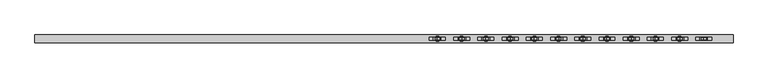
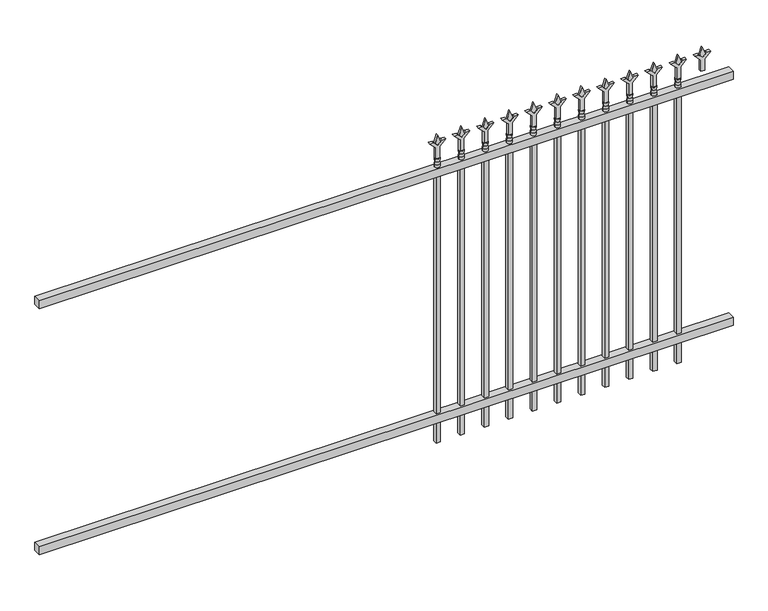
"""IFC4 building model written with IfcOpenShell, lengths in millimetres: railing geometry."""

import ifcopenshell
import ifcopenshell.guid

model = None  # the IFC model being written
_history = None  # IfcOwnerHistory: only IFC2X3 demands one
_inside = {}  # id of a spatial element -> (the spatial element, [elements in it])
_under = {}  # id of a project, library or spatial element -> (it, [spatial elements below it])
_declared = {}  # id of a project -> (the project, [libraries it declares])
_typed = {}  # id of a type object -> (the type object, [elements of that type])
_made_of = {}  # id of a material, layer set ... -> (it, [elements and type objects made of it])


def new_model(schema):
    """Start an empty IFC model of exactly this schema.

    Asked for "IFC4X3", IfcOpenShell would pick the latest addendum, in which some entities
    have other attributes; the version numbers below select the first issue.
    IFC2X3 requires an IfcOwnerHistory on every rooted entity: one is made here for all.
    """
    global model, _history
    if schema == "IFC4X3":
        model = ifcopenshell.file(schema_version=(4, 3, 0, 0))
    else:
        model = ifcopenshell.file(schema=schema)
    _inside.clear()
    _under.clear()
    _declared.clear()
    _typed.clear()
    _made_of.clear()
    _history = None
    if model.schema == "IFC2X3":
        org = make("IfcOrganization", Name="unknown")
        user = make(
            "IfcPersonAndOrganization",
            ThePerson=make("IfcPerson", FamilyName="unknown"),
            TheOrganization=org,
        )
        app = make(
            "IfcApplication",
            ApplicationDeveloper=org,
            Version="unknown",
            ApplicationFullName="unknown",
            ApplicationIdentifier="unknown",
        )
        _history = make(
            "IfcOwnerHistory",
            OwningUser=user,
            OwningApplication=app,
            ChangeAction="ADDED",
            CreationDate=0,
        )
    return model


def make(cls, **values):
    """One entity of the class cls with the attributes given. An attribute that is None is left unset."""
    return model.create_entity(
        cls, **{name: value for name, value in values.items() if value is not None}
    )


def rooted(cls, **values):
    """An entity with a GlobalId (a new one), such as an element, a storey or a relation."""
    return make(cls, GlobalId=ifcopenshell.guid.new(), OwnerHistory=_history, **values)


def si_unit(unit_type, name, prefix=None):
    """IfcSIUnit, for example si_unit("LENGTHUNIT", "METRE", prefix="MILLI")."""
    return make("IfcSIUnit", UnitType=unit_type, Prefix=prefix, Name=name)


def assignment(units):
    """IfcUnitAssignment: the units of a project."""
    return None if units is None else make("IfcUnitAssignment", Units=units)


def point(xyz):
    """IfcCartesianPoint."""
    return None if xyz is None else make("IfcCartesianPoint", Coordinates=xyz)


def direction(xyz):
    """IfcDirection."""
    return None if xyz is None else make("IfcDirection", DirectionRatios=xyz)


def frame(location, z_axis=None, x_axis=None):
    """IfcAxis2Placement3D, a coordinate frame: its origin and axes. An axis left out is left unset."""
    return make(
        "IfcAxis2Placement3D",
        Location=point(location),
        Axis=direction(z_axis),
        RefDirection=direction(x_axis),
    )


def origin():
    """The frame at (0, 0, 0) with its axes left unset."""
    return frame((0.0, 0.0, 0.0))


def place(relative_to, where):
    """IfcLocalPlacement: puts the frame where relative to a parent placement (None: the world)."""
    return make(
        "IfcLocalPlacement", PlacementRelTo=relative_to, RelativePlacement=where
    )


def context(
    kind, dimensions, precision=None, world=None, true_north=None, identifier=None
):
    """IfcGeometricRepresentationContext, for example the 3D "Model" context."""
    return make(
        "IfcGeometricRepresentationContext",
        ContextIdentifier=identifier,
        ContextType=kind,
        CoordinateSpaceDimension=dimensions,
        Precision=precision,
        WorldCoordinateSystem=world,
        TrueNorth=true_north,
    )


def project(units=None, contexts=None):
    """IfcProject with its units and contexts."""
    return rooted(
        "IfcProject",
        Name="project",
        RepresentationContexts=contexts,
        UnitsInContext=assignment(units),
    )


def spatial(cls, under=None, at=None, **own):
    """A site, building, storey or space (cls), placed at a placement, below another one or the project."""
    s = rooted(cls, ObjectPlacement=at, **own)
    if under is not None:
        _under.setdefault(under.id(), (under, []))[1].append(s)
    return s


def polyline(points):
    """IfcPolyline through the points."""
    return make("IfcPolyline", Points=[point(p) for p in points])


def circle_curve(where, radius):
    """IfcCircle in the frame where."""
    return make("IfcCircle", Position=where, Radius=radius)


def outline(outer, holes=None, kind="AREA"):
    """IfcArbitraryClosedProfileDef: a profile drawn as a closed curve; with holes, ...WithVoids."""
    if holes is None:
        return make("IfcArbitraryClosedProfileDef", ProfileType=kind, OuterCurve=outer)
    return make(
        "IfcArbitraryProfileDefWithVoids",
        ProfileType=kind,
        OuterCurve=outer,
        InnerCurves=holes,
    )


def extrude(swept, where, along, depth):
    """IfcExtrudedAreaSolid: the profile swept, set in the frame where, extruded along a direction by depth."""
    return make(
        "IfcExtrudedAreaSolid",
        SweptArea=swept,
        Position=where,
        ExtrudedDirection=direction(along),
        Depth=depth,
    )


def shape(context_of_items, identifier, shape_type, items):
    """IfcShapeRepresentation: the items that make up one representation, for example the "Body"."""
    return make(
        "IfcShapeRepresentation",
        ContextOfItems=context_of_items,
        RepresentationIdentifier=identifier,
        RepresentationType=shape_type,
        Items=items,
    )


def source(mapping_origin, context_of_items, identifier, shape_type, items):
    """IfcRepresentationMap: a shape defined once, which mapped items show again and again."""
    return make(
        "IfcRepresentationMap",
        MappingOrigin=mapping_origin,
        MappedRepresentation=shape(context_of_items, identifier, shape_type, items),
    )


def transform(
    local_origin,
    x_axis=None,
    y_axis=None,
    z_axis=None,
    scale=None,
    scale2=None,
    scale3=None,
    uniform=True,
):
    """IfcCartesianTransformationOperator3D, or its non-uniform kind. x_axis, y_axis, z_axis: its Axis1, 2, 3."""
    if uniform:
        return make(
            "IfcCartesianTransformationOperator3D",
            Axis1=direction(x_axis),
            Axis2=direction(y_axis),
            LocalOrigin=point(local_origin),
            Scale=scale,
            Axis3=direction(z_axis),
        )
    return make(
        "IfcCartesianTransformationOperator3DnonUniform",
        Axis1=direction(x_axis),
        Axis2=direction(y_axis),
        LocalOrigin=point(local_origin),
        Scale=scale,
        Axis3=direction(z_axis),
        Scale2=scale2,
        Scale3=scale3,
    )


def mapped(mapping_source, mapping_target):
    """IfcMappedItem: shows the shape of a source again, moved by a transform."""
    return make(
        "IfcMappedItem", MappingSource=mapping_source, MappingTarget=mapping_target
    )


def made_of(thing, what):
    """Note that an element or type object is made of a material, layer set ...; save() writes the relation."""
    if what is not None:
        _made_of.setdefault(what.id(), (what, []))[1].append(thing)
    return thing


def element(
    cls,
    number,
    at=None,
    inside=None,
    cuts=None,
    type_object=None,
    material=None,
    context=None,
    identifier="Body",
    shape_type=None,
    held_by="IfcProductDefinitionShape",
    body=None,
    shapes=None,
    **own,
):
    """One element of the class cls, such as IfcWall. Its Tag is "e" and its number.

    at: its placement. inside: the storey or other place that contains it. cuts: it is an
    opening in that element (IfcRelVoidsElement). A single representation is given by context,
    identifier, shape_type and body (its items); several are given by shapes. held_by: the class
    of the entity that holds the representations. save() writes the other relations.
    """
    e = rooted(cls, Tag="e%d" % number, ObjectPlacement=at, **own)
    if body is not None:
        shapes = [shape(context, identifier, shape_type, body)]
    if shapes is not None:
        e.Representation = make(held_by, Representations=shapes)
    if inside is not None:
        _inside.setdefault(inside.id(), (inside, []))[1].append(e)
    if cuts is not None:
        rooted(
            "IfcRelVoidsElement", RelatingBuildingElement=cuts, RelatedOpeningElement=e
        )
    if type_object is not None:
        _typed.setdefault(type_object.id(), (type_object, []))[1].append(e)
    return made_of(e, material)


def aggregate(whole, parts):
    """IfcRelAggregates: a whole, such as a stair, and the parts it consists of."""
    return rooted("IfcRelAggregates", RelatingObject=whole, RelatedObjects=parts)


def save(model, path):
    """Write the relations noted so far, then the file.

    IfcRelAggregates (storeys below a building ...), IfcRelContainedInSpatialStructure (elements
    in a storey), IfcRelDefinesByType, IfcRelAssociatesMaterial and IfcRelDeclares: one each for
    every whole, place, type object, material and project.
    """
    for whole, parts in _under.values():
        aggregate(whole, parts)
    for where, things in _inside.values():
        rooted(
            "IfcRelContainedInSpatialStructure",
            RelatedElements=things,
            RelatingStructure=where,
        )
    for kind, things in _typed.values():
        rooted("IfcRelDefinesByType", RelatedObjects=things, RelatingType=kind)
    for what, things in _made_of.values():
        rooted("IfcRelAssociatesMaterial", RelatedObjects=things, RelatingMaterial=what)
    for by, libraries in _declared.values():
        rooted("IfcRelDeclares", RelatingContext=by, RelatedDefinitions=libraries)
    model.write(path)


def plane_surface(at):
    """IfcPlane: the flat surface through the origin of the frame at, square to its z axis."""
    return make("IfcPlane", Position=at)


def cylinder_surface(at, radius):
    """IfcCylindricalSurface: all points at the distance radius from the z axis of the frame at."""
    return make("IfcCylindricalSurface", Position=at, Radius=radius)


def revolved_surface(curve, axis_point, axis_direction):
    """IfcSurfaceOfRevolution: the curve turned about the line through axis_point along axis_direction."""
    return make(
        "IfcSurfaceOfRevolution",
        SweptCurve=make("IfcArbitraryOpenProfileDef", ProfileType="CURVE", Curve=curve),
        AxisPosition=make("IfcAxis1Placement", Location=point(axis_point), Axis=direction(axis_direction)),
    )


def advanced_brep(points, edges, surfaces, faces):
    """IfcAdvancedBrep: a solid bounded by faces that lie on surfaces and meet in shared edges.

    An edge is (start, end): straight between two places in points (the first is 0);
    or (start, end, curve); or (start, end, curve, False) where it runs against its curve.
    A face is (place in surfaces, loops), or (place, loops, False) where it looks against
    its surface's normal. A loop lists edges by number (the first is 1), with a minus sign
    where the edge is run from its end to its start. The first loop is the outer one.
    """
    corners = [point(p) for p in points]
    vertices = [make("IfcVertexPoint", VertexGeometry=c) for c in corners]
    made = []
    for start, end, *more in edges:
        made.append(
            make(
                "IfcEdgeCurve",
                EdgeStart=vertices[start],
                EdgeEnd=vertices[end],
                EdgeGeometry=more[0] if more else make("IfcPolyline", Points=[corners[start], corners[end]]),
                SameSense=more[1] if len(more) > 1 else True,
            )
        )
    hull = []
    for where, loops, *sense in faces:
        bounds = []
        for j, loop in enumerate(loops):
            ring = [make("IfcOrientedEdge", EdgeElement=made[abs(k) - 1], Orientation=k > 0) for k in loop]
            bounds.append(
                make(
                    "IfcFaceOuterBound" if j == 0 else "IfcFaceBound",
                    Bound=make("IfcEdgeLoop", EdgeList=ring),
                    Orientation=True,
                )
            )
        hull.append(make("IfcAdvancedFace", Bounds=bounds, FaceSurface=surfaces[where], SameSense=sense[0] if sense else True))
    return make("IfcAdvancedBrep", Outer=make("IfcClosedShell", CfsFaces=hull))


def railing_ae8adff9(model_context):
    return source(origin(), model_context, "Body", "SolidModel", [
        extrude(outline(polyline([(-73537.318087, 5443.2804826), (-73537.318087, 5478.2054826), (-70387.718087, 5478.2054826), (-70387.718087, 5443.2804826), (-73537.318087, 5443.2804826)])), frame((0.0, 0.0, 1333.5), z_axis=(0.0, 0.0, 1.0), x_axis=(1.0, 0.0, 0.0)), (0.0, 0.0, 1.0), 38.1),
        extrude(outline(polyline([(-73537.318087, 5443.2804826), (-73537.318087, 5478.2054826), (-70387.718087, 5478.2054826), (-70387.718087, 5443.2804826), (-73537.318087, 5443.2804826)])), frame((0.0, 0.0, 152.4), z_axis=(0.0, 0.0, 1.0), x_axis=(1.0, 0.0, 0.0)), (0.0, 0.0, 1.0), 38.1),
        extrude(outline(polyline([(1488.28125, -70616.8472536), (1524.0, -70628.7535036), (1488.28125, -70640.6597536), (1476.375, -70628.7535036), (1488.28125, -70616.8472536)])), frame((0.0, 5455.9804826, 0.0), z_axis=(0.0, 1.0, 0.0), x_axis=(0.0, 0.0, 1.0)), (0.0, 0.0, 1.0), 9.525),
        extrude(outline(polyline([(1412.875, -70620.0222536), (1467.1457378, -70620.0222536), (1494.3355122, -70592.8324791), (1494.3355122, -70610.7929914), (1476.375, -70628.7535036), (1494.3355122, -70646.7140159), (1494.3355122, -70664.6745281), (1467.1457378, -70637.4847536), (1412.875, -70637.4847536), (1412.875, -70620.0222536)])), frame((0.0, 5454.3929826, 0.0), z_axis=(0.0, 1.0, 0.0), x_axis=(0.0, 0.0, 1.0)), (0.0, 0.0, 1.0), 12.7),
        advanced_brep(
        [(-70616.8472536, 5460.7429826, 1384.3), (-70640.6597536, 5460.7429826, 1384.3), (-70640.6597536, 5460.7429826, 1371.6), (-70616.8472536, 5460.7429826, 1371.6), (-70619.0525855, 5460.7429826, 1396.8070585), (-70638.4544218, 5460.7429826, 1396.8070585), (-70616.8472536, 5460.7429826, 1412.875), (-70640.6597536, 5460.7429826, 1412.875), (-70628.7535036, 5460.7429826, 1412.875), (-70628.7535036, 5460.7429826, 1371.6)],
        [
            (0, 1, circle_curve(frame((-70628.7535036, 5460.7429826, 1384.3), z_axis=(0.0, 0.0, -1.0), x_axis=(-1.0, 0.0, 0.0)), 11.90625)),
            (1, 2),
            (2, 3, circle_curve(frame((-70628.7535036, 5460.7429826, 1371.6), z_axis=(0.0, 0.0, 1.0), x_axis=(-1.0, 0.0, 0.0)), 11.90625)),
            (3, 0),
            (1, 0, circle_curve(frame((-70628.7535036, 5460.7429826, 1384.3), z_axis=(0.0, 0.0, -1.0), x_axis=(-1.0, 0.0, 0.0)), 11.90625)),
            (3, 2, circle_curve(frame((-70628.7535036, 5460.7429826, 1371.6), z_axis=(0.0, 0.0, 1.0), x_axis=(-1.0, 0.0, 0.0)), 11.90625)),
            (4, 5, circle_curve(frame((-70628.7535036, 5460.7429826, 1396.8070585), z_axis=(0.0, 0.0, -1.0), x_axis=(-1.0, 0.0, 0.0)), 9.7009181)),
            (5, 1),
            (0, 4),
            (5, 4, circle_curve(frame((-70628.7535036, 5460.7429826, 1396.8070585), z_axis=(0.0, 0.0, -1.0), x_axis=(-1.0, 0.0, 0.0)), 9.7009181)),
            (6, 7, circle_curve(frame((-70628.7535036, 5460.7429826, 1412.875), z_axis=(0.0, 0.0, -1.0), x_axis=(-1.0, 0.0, 0.0)), 11.90625)),
            (7, 5),
            (4, 6),
            (7, 6, circle_curve(frame((-70628.7535036, 5460.7429826, 1412.875), z_axis=(0.0, 0.0, -1.0), x_axis=(-1.0, 0.0, 0.0)), 11.90625)),
            (8, 7),
            (6, 8),
            (2, 9),
            (9, 3),
        ],
        [
            cylinder_surface(frame((-70628.7535036, 5460.7429826, 1371.6), z_axis=(0.0, 0.0, 1.0), x_axis=(-1.0, 0.0, 0.0)), 11.90625),
            revolved_surface(polyline([(-70640.6597536, 5460.7429826, 1384.3), (-70638.4544218, 5460.7429826, 1396.8070585)]), (-70628.7535036, 5460.7429826, 1371.6), (0.0, 0.0, 1.0)),
            revolved_surface(polyline([(-70638.4544218, 5460.7429826, 1396.8070585), (-70640.6597536, 5460.7429826, 1412.875)]), (-70628.7535036, 5460.7429826, 1371.6), (0.0, 0.0, 1.0)),
            plane_surface(frame((-70628.7535036, 5460.7429826, 1412.875), z_axis=(0.0, 0.0, 1.0), x_axis=(-1.0, 0.0, 0.0))),
            plane_surface(frame((-70628.7535036, 5460.7429826, 1371.6), z_axis=(0.0, 0.0, -1.0), x_axis=(-1.0, 0.0, 0.0))),
        ],
        [
            (0, [[1, 2, 3, 4]]),
            (0, [[5, -4, 6, -2]]),
            (1, [[7, 8, -1, 9]]),
            (1, [[10, -9, -5, -8]]),
            (2, [[11, 12, -7, 13]]),
            (2, [[14, -13, -10, -12]]),
            (3, [[15, -11, 16]]),
            (3, [[-16, -14, -15]]),
            (4, [[-3, 17, 18]]),
            (4, [[-6, -18, -17]]),
        ],
    ),
        extrude(outline(polyline([(-70638.2785036, 5470.2679826), (-70619.2285036, 5470.2679826), (-70619.2285036, 5451.2179826), (-70638.2785036, 5451.2179826), (-70638.2785036, 5470.2679826)])), frame((0.0, 0.0, 50.8), z_axis=(0.0, 0.0, 1.0), x_axis=(1.0, 0.0, 0.0)), (0.0, 0.0, 1.0), 1320.8),
        extrude(outline(polyline([(1488.28125, -70726.1201703), (1524.0, -70738.0264203), (1488.28125, -70749.9326703), (1476.375, -70738.0264203), (1488.28125, -70726.1201703)])), frame((0.0, 5455.9804826, 0.0), z_axis=(0.0, 1.0, 0.0), x_axis=(0.0, 0.0, 1.0)), (0.0, 0.0, 1.0), 9.525),
        extrude(outline(polyline([(1412.875, -70729.2951703), (1467.1457378, -70729.2951703), (1494.3355122, -70702.1053958), (1494.3355122, -70720.0659081), (1476.375, -70738.0264203), (1494.3355122, -70755.9869325), (1494.3355122, -70773.9474448), (1467.1457378, -70746.7576703), (1412.875, -70746.7576703), (1412.875, -70729.2951703)])), frame((0.0, 5454.3929826, 0.0), z_axis=(0.0, 1.0, 0.0), x_axis=(0.0, 0.0, 1.0)), (0.0, 0.0, 1.0), 12.7),
        advanced_brep(
        [(-70726.1201703, 5460.7429826, 1384.3), (-70749.9326703, 5460.7429826, 1384.3), (-70749.9326703, 5460.7429826, 1371.6), (-70726.1201703, 5460.7429826, 1371.6), (-70728.3255022, 5460.7429826, 1396.8070585), (-70747.7273384, 5460.7429826, 1396.8070585), (-70726.1201703, 5460.7429826, 1412.875), (-70749.9326703, 5460.7429826, 1412.875), (-70738.0264203, 5460.7429826, 1412.875), (-70738.0264203, 5460.7429826, 1371.6)],
        [
            (0, 1, circle_curve(frame((-70738.0264203, 5460.7429826, 1384.3), z_axis=(0.0, 0.0, -1.0), x_axis=(-1.0, 0.0, 0.0)), 11.90625)),
            (1, 2),
            (2, 3, circle_curve(frame((-70738.0264203, 5460.7429826, 1371.6), z_axis=(0.0, 0.0, 1.0), x_axis=(-1.0, 0.0, 0.0)), 11.90625)),
            (3, 0),
            (1, 0, circle_curve(frame((-70738.0264203, 5460.7429826, 1384.3), z_axis=(0.0, 0.0, -1.0), x_axis=(-1.0, 0.0, 0.0)), 11.90625)),
            (3, 2, circle_curve(frame((-70738.0264203, 5460.7429826, 1371.6), z_axis=(0.0, 0.0, 1.0), x_axis=(-1.0, 0.0, 0.0)), 11.90625)),
            (4, 5, circle_curve(frame((-70738.0264203, 5460.7429826, 1396.8070585), z_axis=(0.0, 0.0, -1.0), x_axis=(-1.0, 0.0, 0.0)), 9.7009181)),
            (5, 1),
            (0, 4),
            (5, 4, circle_curve(frame((-70738.0264203, 5460.7429826, 1396.8070585), z_axis=(0.0, 0.0, -1.0), x_axis=(-1.0, 0.0, 0.0)), 9.7009181)),
            (6, 7, circle_curve(frame((-70738.0264203, 5460.7429826, 1412.875), z_axis=(0.0, 0.0, -1.0), x_axis=(-1.0, 0.0, 0.0)), 11.90625)),
            (7, 5),
            (4, 6),
            (7, 6, circle_curve(frame((-70738.0264203, 5460.7429826, 1412.875), z_axis=(0.0, 0.0, -1.0), x_axis=(-1.0, 0.0, 0.0)), 11.90625)),
            (8, 7),
            (6, 8),
            (2, 9),
            (9, 3),
        ],
        [
            cylinder_surface(frame((-70738.0264203, 5460.7429826, 1371.6), z_axis=(0.0, 0.0, 1.0), x_axis=(-1.0, 0.0, 0.0)), 11.90625),
            revolved_surface(polyline([(-70749.9326703, 5460.7429826, 1384.3), (-70747.7273384, 5460.7429826, 1396.8070585)]), (-70738.0264203, 5460.7429826, 1371.6), (0.0, 0.0, 1.0)),
            revolved_surface(polyline([(-70747.7273384, 5460.7429826, 1396.8070585), (-70749.9326703, 5460.7429826, 1412.875)]), (-70738.0264203, 5460.7429826, 1371.6), (0.0, 0.0, 1.0)),
            plane_surface(frame((-70738.0264203, 5460.7429826, 1412.875), z_axis=(0.0, 0.0, 1.0), x_axis=(-1.0, 0.0, 0.0))),
            plane_surface(frame((-70738.0264203, 5460.7429826, 1371.6), z_axis=(0.0, 0.0, -1.0), x_axis=(-1.0, 0.0, 0.0))),
        ],
        [
            (0, [[1, 2, 3, 4]]),
            (0, [[5, -4, 6, -2]]),
            (1, [[7, 8, -1, 9]]),
            (1, [[10, -9, -5, -8]]),
            (2, [[11, 12, -7, 13]]),
            (2, [[14, -13, -10, -12]]),
            (3, [[15, -11, 16]]),
            (3, [[-16, -14, -15]]),
            (4, [[-3, 17, 18]]),
            (4, [[-6, -18, -17]]),
        ],
    ),
        extrude(outline(polyline([(-70747.5514203, 5470.2679826), (-70728.5014203, 5470.2679826), (-70728.5014203, 5451.2179826), (-70747.5514203, 5451.2179826), (-70747.5514203, 5470.2679826)])), frame((0.0, 0.0, 50.8), z_axis=(0.0, 0.0, 1.0), x_axis=(1.0, 0.0, 0.0)), (0.0, 0.0, 1.0), 1320.8),
        extrude(outline(polyline([(1488.28125, -70835.393087), (1524.0, -70847.299337), (1488.28125, -70859.205587), (1476.375, -70847.299337), (1488.28125, -70835.393087)])), frame((0.0, 5455.9804826, 0.0), z_axis=(0.0, 1.0, 0.0), x_axis=(0.0, 0.0, 1.0)), (0.0, 0.0, 1.0), 9.525),
        extrude(outline(polyline([(1412.875, -70838.568087), (1467.1457378, -70838.568087), (1494.3355122, -70811.3783125), (1494.3355122, -70829.3388247), (1476.375, -70847.299337), (1494.3355122, -70865.2598492), (1494.3355122, -70883.2203614), (1467.1457378, -70856.030587), (1412.875, -70856.030587), (1412.875, -70838.568087)])), frame((0.0, 5454.3929826, 0.0), z_axis=(0.0, 1.0, 0.0), x_axis=(0.0, 0.0, 1.0)), (0.0, 0.0, 1.0), 12.7),
        advanced_brep(
        [(-70835.393087, 5460.7429826, 1384.3), (-70859.205587, 5460.7429826, 1384.3), (-70859.205587, 5460.7429826, 1371.6), (-70835.393087, 5460.7429826, 1371.6), (-70837.5984188, 5460.7429826, 1396.8070585), (-70857.0002551, 5460.7429826, 1396.8070585), (-70835.393087, 5460.7429826, 1412.875), (-70859.205587, 5460.7429826, 1412.875), (-70847.299337, 5460.7429826, 1412.875), (-70847.299337, 5460.7429826, 1371.6)],
        [
            (0, 1, circle_curve(frame((-70847.299337, 5460.7429826, 1384.3), z_axis=(0.0, 0.0, -1.0), x_axis=(-1.0, 0.0, 0.0)), 11.90625)),
            (1, 2),
            (2, 3, circle_curve(frame((-70847.299337, 5460.7429826, 1371.6), z_axis=(0.0, 0.0, 1.0), x_axis=(-1.0, 0.0, 0.0)), 11.90625)),
            (3, 0),
            (1, 0, circle_curve(frame((-70847.299337, 5460.7429826, 1384.3), z_axis=(0.0, 0.0, -1.0), x_axis=(-1.0, 0.0, 0.0)), 11.90625)),
            (3, 2, circle_curve(frame((-70847.299337, 5460.7429826, 1371.6), z_axis=(0.0, 0.0, 1.0), x_axis=(-1.0, 0.0, 0.0)), 11.90625)),
            (4, 5, circle_curve(frame((-70847.299337, 5460.7429826, 1396.8070585), z_axis=(0.0, 0.0, -1.0), x_axis=(-1.0, 0.0, 0.0)), 9.7009181)),
            (5, 1),
            (0, 4),
            (5, 4, circle_curve(frame((-70847.299337, 5460.7429826, 1396.8070585), z_axis=(0.0, 0.0, -1.0), x_axis=(-1.0, 0.0, 0.0)), 9.7009181)),
            (6, 7, circle_curve(frame((-70847.299337, 5460.7429826, 1412.875), z_axis=(0.0, 0.0, -1.0), x_axis=(-1.0, 0.0, 0.0)), 11.90625)),
            (7, 5),
            (4, 6),
            (7, 6, circle_curve(frame((-70847.299337, 5460.7429826, 1412.875), z_axis=(0.0, 0.0, -1.0), x_axis=(-1.0, 0.0, 0.0)), 11.90625)),
            (8, 7),
            (6, 8),
            (2, 9),
            (9, 3),
        ],
        [
            cylinder_surface(frame((-70847.299337, 5460.7429826, 1371.6), z_axis=(0.0, 0.0, 1.0), x_axis=(-1.0, 0.0, 0.0)), 11.90625),
            revolved_surface(polyline([(-70859.205587, 5460.7429826, 1384.3), (-70857.0002551, 5460.7429826, 1396.8070585)]), (-70847.299337, 5460.7429826, 1371.6), (0.0, 0.0, 1.0)),
            revolved_surface(polyline([(-70857.0002551, 5460.7429826, 1396.8070585), (-70859.205587, 5460.7429826, 1412.875)]), (-70847.299337, 5460.7429826, 1371.6), (0.0, 0.0, 1.0)),
            plane_surface(frame((-70847.299337, 5460.7429826, 1412.875), z_axis=(0.0, 0.0, 1.0), x_axis=(-1.0, 0.0, 0.0))),
            plane_surface(frame((-70847.299337, 5460.7429826, 1371.6), z_axis=(0.0, 0.0, -1.0), x_axis=(-1.0, 0.0, 0.0))),
        ],
        [
            (0, [[1, 2, 3, 4]]),
            (0, [[5, -4, 6, -2]]),
            (1, [[7, 8, -1, 9]]),
            (1, [[10, -9, -5, -8]]),
            (2, [[11, 12, -7, 13]]),
            (2, [[14, -13, -10, -12]]),
            (3, [[15, -11, 16]]),
            (3, [[-16, -14, -15]]),
            (4, [[-3, 17, 18]]),
            (4, [[-6, -18, -17]]),
        ],
    ),
        extrude(outline(polyline([(-70856.824337, 5470.2679826), (-70837.774337, 5470.2679826), (-70837.774337, 5451.2179826), (-70856.824337, 5451.2179826), (-70856.824337, 5470.2679826)])), frame((0.0, 0.0, 50.8), z_axis=(0.0, 0.0, 1.0), x_axis=(1.0, 0.0, 0.0)), (0.0, 0.0, 1.0), 1320.8),
        extrude(outline(polyline([(1488.28125, -70944.6660036), (1524.0, -70956.5722536), (1488.28125, -70968.4785036), (1476.375, -70956.5722536), (1488.28125, -70944.6660036)])), frame((0.0, 5455.9804826, 0.0), z_axis=(0.0, 1.0, 0.0), x_axis=(0.0, 0.0, 1.0)), (0.0, 0.0, 1.0), 9.525),
        extrude(outline(polyline([(1412.875, -70947.8410036), (1467.1457378, -70947.8410036), (1494.3355122, -70920.6512291), (1494.3355122, -70938.6117414), (1476.375, -70956.5722536), (1494.3355122, -70974.5327659), (1494.3355122, -70992.4932781), (1467.1457378, -70965.3035036), (1412.875, -70965.3035036), (1412.875, -70947.8410036)])), frame((0.0, 5454.3929826, 0.0), z_axis=(0.0, 1.0, 0.0), x_axis=(0.0, 0.0, 1.0)), (0.0, 0.0, 1.0), 12.7),
        advanced_brep(
        [(-70944.6660036, 5460.7429826, 1384.3), (-70968.4785036, 5460.7429826, 1384.3), (-70968.4785036, 5460.7429826, 1371.6), (-70944.6660036, 5460.7429826, 1371.6), (-70946.8713355, 5460.7429826, 1396.8070585), (-70966.2731718, 5460.7429826, 1396.8070585), (-70944.6660036, 5460.7429826, 1412.875), (-70968.4785036, 5460.7429826, 1412.875), (-70956.5722536, 5460.7429826, 1412.875), (-70956.5722536, 5460.7429826, 1371.6)],
        [
            (0, 1, circle_curve(frame((-70956.5722536, 5460.7429826, 1384.3), z_axis=(0.0, 0.0, -1.0), x_axis=(-1.0, 0.0, 0.0)), 11.90625)),
            (1, 2),
            (2, 3, circle_curve(frame((-70956.5722536, 5460.7429826, 1371.6), z_axis=(0.0, 0.0, 1.0), x_axis=(-1.0, 0.0, 0.0)), 11.90625)),
            (3, 0),
            (1, 0, circle_curve(frame((-70956.5722536, 5460.7429826, 1384.3), z_axis=(0.0, 0.0, -1.0), x_axis=(-1.0, 0.0, 0.0)), 11.90625)),
            (3, 2, circle_curve(frame((-70956.5722536, 5460.7429826, 1371.6), z_axis=(0.0, 0.0, 1.0), x_axis=(-1.0, 0.0, 0.0)), 11.90625)),
            (4, 5, circle_curve(frame((-70956.5722536, 5460.7429826, 1396.8070585), z_axis=(0.0, 0.0, -1.0), x_axis=(-1.0, 0.0, 0.0)), 9.7009181)),
            (5, 1),
            (0, 4),
            (5, 4, circle_curve(frame((-70956.5722536, 5460.7429826, 1396.8070585), z_axis=(0.0, 0.0, -1.0), x_axis=(-1.0, 0.0, 0.0)), 9.7009181)),
            (6, 7, circle_curve(frame((-70956.5722536, 5460.7429826, 1412.875), z_axis=(0.0, 0.0, -1.0), x_axis=(-1.0, 0.0, 0.0)), 11.90625)),
            (7, 5),
            (4, 6),
            (7, 6, circle_curve(frame((-70956.5722536, 5460.7429826, 1412.875), z_axis=(0.0, 0.0, -1.0), x_axis=(-1.0, 0.0, 0.0)), 11.90625)),
            (8, 7),
            (6, 8),
            (2, 9),
            (9, 3),
        ],
        [
            cylinder_surface(frame((-70956.5722536, 5460.7429826, 1371.6), z_axis=(0.0, 0.0, 1.0), x_axis=(-1.0, 0.0, 0.0)), 11.90625),
            revolved_surface(polyline([(-70968.4785036, 5460.7429826, 1384.3), (-70966.2731718, 5460.7429826, 1396.8070585)]), (-70956.5722536, 5460.7429826, 1371.6), (0.0, 0.0, 1.0)),
            revolved_surface(polyline([(-70966.2731718, 5460.7429826, 1396.8070585), (-70968.4785036, 5460.7429826, 1412.875)]), (-70956.5722536, 5460.7429826, 1371.6), (0.0, 0.0, 1.0)),
            plane_surface(frame((-70956.5722536, 5460.7429826, 1412.875), z_axis=(0.0, 0.0, 1.0), x_axis=(-1.0, 0.0, 0.0))),
            plane_surface(frame((-70956.5722536, 5460.7429826, 1371.6), z_axis=(0.0, 0.0, -1.0), x_axis=(-1.0, 0.0, 0.0))),
        ],
        [
            (0, [[1, 2, 3, 4]]),
            (0, [[5, -4, 6, -2]]),
            (1, [[7, 8, -1, 9]]),
            (1, [[10, -9, -5, -8]]),
            (2, [[11, 12, -7, 13]]),
            (2, [[14, -13, -10, -12]]),
            (3, [[15, -11, 16]]),
            (3, [[-16, -14, -15]]),
            (4, [[-3, 17, 18]]),
            (4, [[-6, -18, -17]]),
        ],
    ),
        extrude(outline(polyline([(-70966.0972536, 5470.2679826), (-70947.0472536, 5470.2679826), (-70947.0472536, 5451.2179826), (-70966.0972536, 5451.2179826), (-70966.0972536, 5470.2679826)])), frame((0.0, 0.0, 50.8), z_axis=(0.0, 0.0, 1.0), x_axis=(1.0, 0.0, 0.0)), (0.0, 0.0, 1.0), 1320.8),
        extrude(outline(polyline([(1488.28125, -71053.9389203), (1524.0, -71065.8451703), (1488.28125, -71077.7514203), (1476.375, -71065.8451703), (1488.28125, -71053.9389203)])), frame((0.0, 5455.9804826, 0.0), z_axis=(0.0, 1.0, 0.0), x_axis=(0.0, 0.0, 1.0)), (0.0, 0.0, 1.0), 9.525),
        extrude(outline(polyline([(1412.875, -71057.1139203), (1467.1457378, -71057.1139203), (1494.3355122, -71029.9241458), (1494.3355122, -71047.8846581), (1476.375, -71065.8451703), (1494.3355122, -71083.8056825), (1494.3355122, -71101.7661948), (1467.1457378, -71074.5764203), (1412.875, -71074.5764203), (1412.875, -71057.1139203)])), frame((0.0, 5454.3929826, 0.0), z_axis=(0.0, 1.0, 0.0), x_axis=(0.0, 0.0, 1.0)), (0.0, 0.0, 1.0), 12.7),
        advanced_brep(
        [(-71053.9389203, 5460.7429826, 1384.3), (-71077.7514203, 5460.7429826, 1384.3), (-71077.7514203, 5460.7429826, 1371.6), (-71053.9389203, 5460.7429826, 1371.6), (-71056.1442522, 5460.7429826, 1396.8070585), (-71075.5460884, 5460.7429826, 1396.8070585), (-71053.9389203, 5460.7429826, 1412.875), (-71077.7514203, 5460.7429826, 1412.875), (-71065.8451703, 5460.7429826, 1412.875), (-71065.8451703, 5460.7429826, 1371.6)],
        [
            (0, 1, circle_curve(frame((-71065.8451703, 5460.7429826, 1384.3), z_axis=(0.0, 0.0, -1.0), x_axis=(-1.0, 0.0, 0.0)), 11.90625)),
            (1, 2),
            (2, 3, circle_curve(frame((-71065.8451703, 5460.7429826, 1371.6), z_axis=(0.0, 0.0, 1.0), x_axis=(-1.0, 0.0, 0.0)), 11.90625)),
            (3, 0),
            (1, 0, circle_curve(frame((-71065.8451703, 5460.7429826, 1384.3), z_axis=(0.0, 0.0, -1.0), x_axis=(-1.0, 0.0, 0.0)), 11.90625)),
            (3, 2, circle_curve(frame((-71065.8451703, 5460.7429826, 1371.6), z_axis=(0.0, 0.0, 1.0), x_axis=(-1.0, 0.0, 0.0)), 11.90625)),
            (4, 5, circle_curve(frame((-71065.8451703, 5460.7429826, 1396.8070585), z_axis=(0.0, 0.0, -1.0), x_axis=(-1.0, 0.0, 0.0)), 9.7009181)),
            (5, 1),
            (0, 4),
            (5, 4, circle_curve(frame((-71065.8451703, 5460.7429826, 1396.8070585), z_axis=(0.0, 0.0, -1.0), x_axis=(-1.0, 0.0, 0.0)), 9.7009181)),
            (6, 7, circle_curve(frame((-71065.8451703, 5460.7429826, 1412.875), z_axis=(0.0, 0.0, -1.0), x_axis=(-1.0, 0.0, 0.0)), 11.90625)),
            (7, 5),
            (4, 6),
            (7, 6, circle_curve(frame((-71065.8451703, 5460.7429826, 1412.875), z_axis=(0.0, 0.0, -1.0), x_axis=(-1.0, 0.0, 0.0)), 11.90625)),
            (8, 7),
            (6, 8),
            (2, 9),
            (9, 3),
        ],
        [
            cylinder_surface(frame((-71065.8451703, 5460.7429826, 1371.6), z_axis=(0.0, 0.0, 1.0), x_axis=(-1.0, 0.0, 0.0)), 11.90625),
            revolved_surface(polyline([(-71077.7514203, 5460.7429826, 1384.3), (-71075.5460884, 5460.7429826, 1396.8070585)]), (-71065.8451703, 5460.7429826, 1371.6), (0.0, 0.0, 1.0)),
            revolved_surface(polyline([(-71075.5460884, 5460.7429826, 1396.8070585), (-71077.7514203, 5460.7429826, 1412.875)]), (-71065.8451703, 5460.7429826, 1371.6), (0.0, 0.0, 1.0)),
            plane_surface(frame((-71065.8451703, 5460.7429826, 1412.875), z_axis=(0.0, 0.0, 1.0), x_axis=(-1.0, 0.0, 0.0))),
            plane_surface(frame((-71065.8451703, 5460.7429826, 1371.6), z_axis=(0.0, 0.0, -1.0), x_axis=(-1.0, 0.0, 0.0))),
        ],
        [
            (0, [[1, 2, 3, 4]]),
            (0, [[5, -4, 6, -2]]),
            (1, [[7, 8, -1, 9]]),
            (1, [[10, -9, -5, -8]]),
            (2, [[11, 12, -7, 13]]),
            (2, [[14, -13, -10, -12]]),
            (3, [[15, -11, 16]]),
            (3, [[-16, -14, -15]]),
            (4, [[-3, 17, 18]]),
            (4, [[-6, -18, -17]]),
        ],
    ),
        extrude(outline(polyline([(-71075.3701703, 5470.2679826), (-71056.3201703, 5470.2679826), (-71056.3201703, 5451.2179826), (-71075.3701703, 5451.2179826), (-71075.3701703, 5470.2679826)])), frame((0.0, 0.0, 50.8), z_axis=(0.0, 0.0, 1.0), x_axis=(1.0, 0.0, 0.0)), (0.0, 0.0, 1.0), 1320.8),
        extrude(outline(polyline([(1488.28125, -71163.211837), (1524.0, -71175.118087), (1488.28125, -71187.024337), (1476.375, -71175.118087), (1488.28125, -71163.211837)])), frame((0.0, 5455.9804826, 0.0), z_axis=(0.0, 1.0, 0.0), x_axis=(0.0, 0.0, 1.0)), (0.0, 0.0, 1.0), 9.525),
        extrude(outline(polyline([(1412.875, -71166.386837), (1467.1457378, -71166.386837), (1494.3355122, -71139.1970625), (1494.3355122, -71157.1575747), (1476.375, -71175.118087), (1494.3355122, -71193.0785992), (1494.3355122, -71211.0391114), (1467.1457378, -71183.849337), (1412.875, -71183.849337), (1412.875, -71166.386837)])), frame((0.0, 5454.3929826, 0.0), z_axis=(0.0, 1.0, 0.0), x_axis=(0.0, 0.0, 1.0)), (0.0, 0.0, 1.0), 12.7),
        advanced_brep(
        [(-71163.211837, 5460.7429826, 1384.3), (-71187.024337, 5460.7429826, 1384.3), (-71187.024337, 5460.7429826, 1371.6), (-71163.211837, 5460.7429826, 1371.6), (-71165.4171688, 5460.7429826, 1396.8070585), (-71184.8190051, 5460.7429826, 1396.8070585), (-71163.211837, 5460.7429826, 1412.875), (-71187.024337, 5460.7429826, 1412.875), (-71175.118087, 5460.7429826, 1412.875), (-71175.118087, 5460.7429826, 1371.6)],
        [
            (0, 1, circle_curve(frame((-71175.118087, 5460.7429826, 1384.3), z_axis=(0.0, 0.0, -1.0), x_axis=(-1.0, 0.0, 0.0)), 11.90625)),
            (1, 2),
            (2, 3, circle_curve(frame((-71175.118087, 5460.7429826, 1371.6), z_axis=(0.0, 0.0, 1.0), x_axis=(-1.0, 0.0, 0.0)), 11.90625)),
            (3, 0),
            (1, 0, circle_curve(frame((-71175.118087, 5460.7429826, 1384.3), z_axis=(0.0, 0.0, -1.0), x_axis=(-1.0, 0.0, 0.0)), 11.90625)),
            (3, 2, circle_curve(frame((-71175.118087, 5460.7429826, 1371.6), z_axis=(0.0, 0.0, 1.0), x_axis=(-1.0, 0.0, 0.0)), 11.90625)),
            (4, 5, circle_curve(frame((-71175.118087, 5460.7429826, 1396.8070585), z_axis=(0.0, 0.0, -1.0), x_axis=(-1.0, 0.0, 0.0)), 9.7009181)),
            (5, 1),
            (0, 4),
            (5, 4, circle_curve(frame((-71175.118087, 5460.7429826, 1396.8070585), z_axis=(0.0, 0.0, -1.0), x_axis=(-1.0, 0.0, 0.0)), 9.7009181)),
            (6, 7, circle_curve(frame((-71175.118087, 5460.7429826, 1412.875), z_axis=(0.0, 0.0, -1.0), x_axis=(-1.0, 0.0, 0.0)), 11.90625)),
            (7, 5),
            (4, 6),
            (7, 6, circle_curve(frame((-71175.118087, 5460.7429826, 1412.875), z_axis=(0.0, 0.0, -1.0), x_axis=(-1.0, 0.0, 0.0)), 11.90625)),
            (8, 7),
            (6, 8),
            (2, 9),
            (9, 3),
        ],
        [
            cylinder_surface(frame((-71175.118087, 5460.7429826, 1371.6), z_axis=(0.0, 0.0, 1.0), x_axis=(-1.0, 0.0, 0.0)), 11.90625),
            revolved_surface(polyline([(-71187.024337, 5460.7429826, 1384.3), (-71184.8190051, 5460.7429826, 1396.8070585)]), (-71175.118087, 5460.7429826, 1371.6), (0.0, 0.0, 1.0)),
            revolved_surface(polyline([(-71184.8190051, 5460.7429826, 1396.8070585), (-71187.024337, 5460.7429826, 1412.875)]), (-71175.118087, 5460.7429826, 1371.6), (0.0, 0.0, 1.0)),
            plane_surface(frame((-71175.118087, 5460.7429826, 1412.875), z_axis=(0.0, 0.0, 1.0), x_axis=(-1.0, 0.0, 0.0))),
            plane_surface(frame((-71175.118087, 5460.7429826, 1371.6), z_axis=(0.0, 0.0, -1.0), x_axis=(-1.0, 0.0, 0.0))),
        ],
        [
            (0, [[1, 2, 3, 4]]),
            (0, [[5, -4, 6, -2]]),
            (1, [[7, 8, -1, 9]]),
            (1, [[10, -9, -5, -8]]),
            (2, [[11, 12, -7, 13]]),
            (2, [[14, -13, -10, -12]]),
            (3, [[15, -11, 16]]),
            (3, [[-16, -14, -15]]),
            (4, [[-3, 17, 18]]),
            (4, [[-6, -18, -17]]),
        ],
    ),
        extrude(outline(polyline([(-71184.643087, 5470.2679826), (-71165.593087, 5470.2679826), (-71165.593087, 5451.2179826), (-71184.643087, 5451.2179826), (-71184.643087, 5470.2679826)])), frame((0.0, 0.0, 50.8), z_axis=(0.0, 0.0, 1.0), x_axis=(1.0, 0.0, 0.0)), (0.0, 0.0, 1.0), 1320.8),
        extrude(outline(polyline([(1488.28125, -71272.4847536), (1524.0, -71284.3910036), (1488.28125, -71296.2972536), (1476.375, -71284.3910036), (1488.28125, -71272.4847536)])), frame((0.0, 5455.9804826, 0.0), z_axis=(0.0, 1.0, 0.0), x_axis=(0.0, 0.0, 1.0)), (0.0, 0.0, 1.0), 9.525),
        extrude(outline(polyline([(1412.875, -71275.6597536), (1467.1457378, -71275.6597536), (1494.3355122, -71248.4699791), (1494.3355122, -71266.4304914), (1476.375, -71284.3910036), (1494.3355122, -71302.3515159), (1494.3355122, -71320.3120281), (1467.1457378, -71293.1222536), (1412.875, -71293.1222536), (1412.875, -71275.6597536)])), frame((0.0, 5454.3929826, 0.0), z_axis=(0.0, 1.0, 0.0), x_axis=(0.0, 0.0, 1.0)), (0.0, 0.0, 1.0), 12.7),
        advanced_brep(
        [(-71272.4847536, 5460.7429826, 1384.3), (-71296.2972536, 5460.7429826, 1384.3), (-71296.2972536, 5460.7429826, 1371.6), (-71272.4847536, 5460.7429826, 1371.6), (-71274.6900855, 5460.7429826, 1396.8070585), (-71294.0919218, 5460.7429826, 1396.8070585), (-71272.4847536, 5460.7429826, 1412.875), (-71296.2972536, 5460.7429826, 1412.875), (-71284.3910036, 5460.7429826, 1412.875), (-71284.3910036, 5460.7429826, 1371.6)],
        [
            (0, 1, circle_curve(frame((-71284.3910036, 5460.7429826, 1384.3), z_axis=(0.0, 0.0, -1.0), x_axis=(-1.0, 0.0, 0.0)), 11.90625)),
            (1, 2),
            (2, 3, circle_curve(frame((-71284.3910036, 5460.7429826, 1371.6), z_axis=(0.0, 0.0, 1.0), x_axis=(-1.0, 0.0, 0.0)), 11.90625)),
            (3, 0),
            (1, 0, circle_curve(frame((-71284.3910036, 5460.7429826, 1384.3), z_axis=(0.0, 0.0, -1.0), x_axis=(-1.0, 0.0, 0.0)), 11.90625)),
            (3, 2, circle_curve(frame((-71284.3910036, 5460.7429826, 1371.6), z_axis=(0.0, 0.0, 1.0), x_axis=(-1.0, 0.0, 0.0)), 11.90625)),
            (4, 5, circle_curve(frame((-71284.3910036, 5460.7429826, 1396.8070585), z_axis=(0.0, 0.0, -1.0), x_axis=(-1.0, 0.0, 0.0)), 9.7009181)),
            (5, 1),
            (0, 4),
            (5, 4, circle_curve(frame((-71284.3910036, 5460.7429826, 1396.8070585), z_axis=(0.0, 0.0, -1.0), x_axis=(-1.0, 0.0, 0.0)), 9.7009181)),
            (6, 7, circle_curve(frame((-71284.3910036, 5460.7429826, 1412.875), z_axis=(0.0, 0.0, -1.0), x_axis=(-1.0, 0.0, 0.0)), 11.90625)),
            (7, 5),
            (4, 6),
            (7, 6, circle_curve(frame((-71284.3910036, 5460.7429826, 1412.875), z_axis=(0.0, 0.0, -1.0), x_axis=(-1.0, 0.0, 0.0)), 11.90625)),
            (8, 7),
            (6, 8),
            (2, 9),
            (9, 3),
        ],
        [
            cylinder_surface(frame((-71284.3910036, 5460.7429826, 1371.6), z_axis=(0.0, 0.0, 1.0), x_axis=(-1.0, 0.0, 0.0)), 11.90625),
            revolved_surface(polyline([(-71296.2972536, 5460.7429826, 1384.3), (-71294.0919218, 5460.7429826, 1396.8070585)]), (-71284.3910036, 5460.7429826, 1371.6), (0.0, 0.0, 1.0)),
            revolved_surface(polyline([(-71294.0919218, 5460.7429826, 1396.8070585), (-71296.2972536, 5460.7429826, 1412.875)]), (-71284.3910036, 5460.7429826, 1371.6), (0.0, 0.0, 1.0)),
            plane_surface(frame((-71284.3910036, 5460.7429826, 1412.875), z_axis=(0.0, 0.0, 1.0), x_axis=(-1.0, 0.0, 0.0))),
            plane_surface(frame((-71284.3910036, 5460.7429826, 1371.6), z_axis=(0.0, 0.0, -1.0), x_axis=(-1.0, 0.0, 0.0))),
        ],
        [
            (0, [[1, 2, 3, 4]]),
            (0, [[5, -4, 6, -2]]),
            (1, [[7, 8, -1, 9]]),
            (1, [[10, -9, -5, -8]]),
            (2, [[11, 12, -7, 13]]),
            (2, [[14, -13, -10, -12]]),
            (3, [[15, -11, 16]]),
            (3, [[-16, -14, -15]]),
            (4, [[-3, 17, 18]]),
            (4, [[-6, -18, -17]]),
        ],
    ),
        extrude(outline(polyline([(-71293.9160036, 5470.2679826), (-71274.8660036, 5470.2679826), (-71274.8660036, 5451.2179826), (-71293.9160036, 5451.2179826), (-71293.9160036, 5470.2679826)])), frame((0.0, 0.0, 50.8), z_axis=(0.0, 0.0, 1.0), x_axis=(1.0, 0.0, 0.0)), (0.0, 0.0, 1.0), 1320.8),
        extrude(outline(polyline([(1488.28125, -71381.7576703), (1524.0, -71393.6639203), (1488.28125, -71405.5701703), (1476.375, -71393.6639203), (1488.28125, -71381.7576703)])), frame((0.0, 5455.9804826, 0.0), z_axis=(0.0, 1.0, 0.0), x_axis=(0.0, 0.0, 1.0)), (0.0, 0.0, 1.0), 9.525),
        extrude(outline(polyline([(1412.875, -71384.9326703), (1467.1457378, -71384.9326703), (1494.3355122, -71357.7428958), (1494.3355122, -71375.7034081), (1476.375, -71393.6639203), (1494.3355122, -71411.6244325), (1494.3355122, -71429.5849448), (1467.1457378, -71402.3951703), (1412.875, -71402.3951703), (1412.875, -71384.9326703)])), frame((0.0, 5454.3929826, 0.0), z_axis=(0.0, 1.0, 0.0), x_axis=(0.0, 0.0, 1.0)), (0.0, 0.0, 1.0), 12.7),
        advanced_brep(
        [(-71381.7576703, 5460.7429826, 1384.3), (-71405.5701703, 5460.7429826, 1384.3), (-71405.5701703, 5460.7429826, 1371.6), (-71381.7576703, 5460.7429826, 1371.6), (-71383.9630022, 5460.7429826, 1396.8070585), (-71403.3648384, 5460.7429826, 1396.8070585), (-71381.7576703, 5460.7429826, 1412.875), (-71405.5701703, 5460.7429826, 1412.875), (-71393.6639203, 5460.7429826, 1412.875), (-71393.6639203, 5460.7429826, 1371.6)],
        [
            (0, 1, circle_curve(frame((-71393.6639203, 5460.7429826, 1384.3), z_axis=(0.0, 0.0, -1.0), x_axis=(-1.0, 0.0, 0.0)), 11.90625)),
            (1, 2),
            (2, 3, circle_curve(frame((-71393.6639203, 5460.7429826, 1371.6), z_axis=(0.0, 0.0, 1.0), x_axis=(-1.0, 0.0, 0.0)), 11.90625)),
            (3, 0),
            (1, 0, circle_curve(frame((-71393.6639203, 5460.7429826, 1384.3), z_axis=(0.0, 0.0, -1.0), x_axis=(-1.0, 0.0, 0.0)), 11.90625)),
            (3, 2, circle_curve(frame((-71393.6639203, 5460.7429826, 1371.6), z_axis=(0.0, 0.0, 1.0), x_axis=(-1.0, 0.0, 0.0)), 11.90625)),
            (4, 5, circle_curve(frame((-71393.6639203, 5460.7429826, 1396.8070585), z_axis=(0.0, 0.0, -1.0), x_axis=(-1.0, 0.0, 0.0)), 9.7009181)),
            (5, 1),
            (0, 4),
            (5, 4, circle_curve(frame((-71393.6639203, 5460.7429826, 1396.8070585), z_axis=(0.0, 0.0, -1.0), x_axis=(-1.0, 0.0, 0.0)), 9.7009181)),
            (6, 7, circle_curve(frame((-71393.6639203, 5460.7429826, 1412.875), z_axis=(0.0, 0.0, -1.0), x_axis=(-1.0, 0.0, 0.0)), 11.90625)),
            (7, 5),
            (4, 6),
            (7, 6, circle_curve(frame((-71393.6639203, 5460.7429826, 1412.875), z_axis=(0.0, 0.0, -1.0), x_axis=(-1.0, 0.0, 0.0)), 11.90625)),
            (8, 7),
            (6, 8),
            (2, 9),
            (9, 3),
        ],
        [
            cylinder_surface(frame((-71393.6639203, 5460.7429826, 1371.6), z_axis=(0.0, 0.0, 1.0), x_axis=(-1.0, 0.0, 0.0)), 11.90625),
            revolved_surface(polyline([(-71405.5701703, 5460.7429826, 1384.3), (-71403.3648384, 5460.7429826, 1396.8070585)]), (-71393.6639203, 5460.7429826, 1371.6), (0.0, 0.0, 1.0)),
            revolved_surface(polyline([(-71403.3648384, 5460.7429826, 1396.8070585), (-71405.5701703, 5460.7429826, 1412.875)]), (-71393.6639203, 5460.7429826, 1371.6), (0.0, 0.0, 1.0)),
            plane_surface(frame((-71393.6639203, 5460.7429826, 1412.875), z_axis=(0.0, 0.0, 1.0), x_axis=(-1.0, 0.0, 0.0))),
            plane_surface(frame((-71393.6639203, 5460.7429826, 1371.6), z_axis=(0.0, 0.0, -1.0), x_axis=(-1.0, 0.0, 0.0))),
        ],
        [
            (0, [[1, 2, 3, 4]]),
            (0, [[5, -4, 6, -2]]),
            (1, [[7, 8, -1, 9]]),
            (1, [[10, -9, -5, -8]]),
            (2, [[11, 12, -7, 13]]),
            (2, [[14, -13, -10, -12]]),
            (3, [[15, -11, 16]]),
            (3, [[-16, -14, -15]]),
            (4, [[-3, 17, 18]]),
            (4, [[-6, -18, -17]]),
        ],
    ),
        extrude(outline(polyline([(-71403.1889203, 5470.2679826), (-71384.1389203, 5470.2679826), (-71384.1389203, 5451.2179826), (-71403.1889203, 5451.2179826), (-71403.1889203, 5470.2679826)])), frame((0.0, 0.0, 50.8), z_axis=(0.0, 0.0, 1.0), x_axis=(1.0, 0.0, 0.0)), (0.0, 0.0, 1.0), 1320.8),
        extrude(outline(polyline([(1488.28125, -71491.030587), (1524.0, -71502.936837), (1488.28125, -71514.843087), (1476.375, -71502.936837), (1488.28125, -71491.030587)])), frame((0.0, 5455.9804826, 0.0), z_axis=(0.0, 1.0, 0.0), x_axis=(0.0, 0.0, 1.0)), (0.0, 0.0, 1.0), 9.525),
        extrude(outline(polyline([(1412.875, -71494.205587), (1467.1457378, -71494.205587), (1494.3355122, -71467.0158125), (1494.3355122, -71484.9763247), (1476.375, -71502.936837), (1494.3355122, -71520.8973492), (1494.3355122, -71538.8578614), (1467.1457378, -71511.668087), (1412.875, -71511.668087), (1412.875, -71494.205587)])), frame((0.0, 5454.3929826, 0.0), z_axis=(0.0, 1.0, 0.0), x_axis=(0.0, 0.0, 1.0)), (0.0, 0.0, 1.0), 12.7),
        advanced_brep(
        [(-71491.030587, 5460.7429826, 1384.3), (-71514.843087, 5460.7429826, 1384.3), (-71514.843087, 5460.7429826, 1371.6), (-71491.030587, 5460.7429826, 1371.6), (-71493.2359188, 5460.7429826, 1396.8070585), (-71512.6377551, 5460.7429826, 1396.8070585), (-71491.030587, 5460.7429826, 1412.875), (-71514.843087, 5460.7429826, 1412.875), (-71502.936837, 5460.7429826, 1412.875), (-71502.936837, 5460.7429826, 1371.6)],
        [
            (0, 1, circle_curve(frame((-71502.936837, 5460.7429826, 1384.3), z_axis=(0.0, 0.0, -1.0), x_axis=(-1.0, 0.0, 0.0)), 11.90625)),
            (1, 2),
            (2, 3, circle_curve(frame((-71502.936837, 5460.7429826, 1371.6), z_axis=(0.0, 0.0, 1.0), x_axis=(-1.0, 0.0, 0.0)), 11.90625)),
            (3, 0),
            (1, 0, circle_curve(frame((-71502.936837, 5460.7429826, 1384.3), z_axis=(0.0, 0.0, -1.0), x_axis=(-1.0, 0.0, 0.0)), 11.90625)),
            (3, 2, circle_curve(frame((-71502.936837, 5460.7429826, 1371.6), z_axis=(0.0, 0.0, 1.0), x_axis=(-1.0, 0.0, 0.0)), 11.90625)),
            (4, 5, circle_curve(frame((-71502.936837, 5460.7429826, 1396.8070585), z_axis=(0.0, 0.0, -1.0), x_axis=(-1.0, 0.0, 0.0)), 9.7009181)),
            (5, 1),
            (0, 4),
            (5, 4, circle_curve(frame((-71502.936837, 5460.7429826, 1396.8070585), z_axis=(0.0, 0.0, -1.0), x_axis=(-1.0, 0.0, 0.0)), 9.7009181)),
            (6, 7, circle_curve(frame((-71502.936837, 5460.7429826, 1412.875), z_axis=(0.0, 0.0, -1.0), x_axis=(-1.0, 0.0, 0.0)), 11.90625)),
            (7, 5),
            (4, 6),
            (7, 6, circle_curve(frame((-71502.936837, 5460.7429826, 1412.875), z_axis=(0.0, 0.0, -1.0), x_axis=(-1.0, 0.0, 0.0)), 11.90625)),
            (8, 7),
            (6, 8),
            (2, 9),
            (9, 3),
        ],
        [
            cylinder_surface(frame((-71502.936837, 5460.7429826, 1371.6), z_axis=(0.0, 0.0, 1.0), x_axis=(-1.0, 0.0, 0.0)), 11.90625),
            revolved_surface(polyline([(-71514.843087, 5460.7429826, 1384.3), (-71512.6377551, 5460.7429826, 1396.8070585)]), (-71502.936837, 5460.7429826, 1371.6), (0.0, 0.0, 1.0)),
            revolved_surface(polyline([(-71512.6377551, 5460.7429826, 1396.8070585), (-71514.843087, 5460.7429826, 1412.875)]), (-71502.936837, 5460.7429826, 1371.6), (0.0, 0.0, 1.0)),
            plane_surface(frame((-71502.936837, 5460.7429826, 1412.875), z_axis=(0.0, 0.0, 1.0), x_axis=(-1.0, 0.0, 0.0))),
            plane_surface(frame((-71502.936837, 5460.7429826, 1371.6), z_axis=(0.0, 0.0, -1.0), x_axis=(-1.0, 0.0, 0.0))),
        ],
        [
            (0, [[1, 2, 3, 4]]),
            (0, [[5, -4, 6, -2]]),
            (1, [[7, 8, -1, 9]]),
            (1, [[10, -9, -5, -8]]),
            (2, [[11, 12, -7, 13]]),
            (2, [[14, -13, -10, -12]]),
            (3, [[15, -11, 16]]),
            (3, [[-16, -14, -15]]),
            (4, [[-3, 17, 18]]),
            (4, [[-6, -18, -17]]),
        ],
    ),
        extrude(outline(polyline([(-71512.461837, 5470.2679826), (-71493.411837, 5470.2679826), (-71493.411837, 5451.2179826), (-71512.461837, 5451.2179826), (-71512.461837, 5470.2679826)])), frame((0.0, 0.0, 50.8), z_axis=(0.0, 0.0, 1.0), x_axis=(1.0, 0.0, 0.0)), (0.0, 0.0, 1.0), 1320.8),
        extrude(outline(polyline([(1488.28125, -71600.3035036), (1524.0, -71612.2097536), (1488.28125, -71624.1160036), (1476.375, -71612.2097536), (1488.28125, -71600.3035036)])), frame((0.0, 5455.9804826, 0.0), z_axis=(0.0, 1.0, 0.0), x_axis=(0.0, 0.0, 1.0)), (0.0, 0.0, 1.0), 9.525),
        extrude(outline(polyline([(1412.875, -71603.4785036), (1467.1457378, -71603.4785036), (1494.3355122, -71576.2887291), (1494.3355122, -71594.2492414), (1476.375, -71612.2097536), (1494.3355122, -71630.1702659), (1494.3355122, -71648.1307781), (1467.1457378, -71620.9410036), (1412.875, -71620.9410036), (1412.875, -71603.4785036)])), frame((0.0, 5454.3929826, 0.0), z_axis=(0.0, 1.0, 0.0), x_axis=(0.0, 0.0, 1.0)), (0.0, 0.0, 1.0), 12.7),
        advanced_brep(
        [(-71600.3035036, 5460.7429826, 1384.3), (-71624.1160036, 5460.7429826, 1384.3), (-71624.1160036, 5460.7429826, 1371.6), (-71600.3035036, 5460.7429826, 1371.6), (-71602.5088355, 5460.7429826, 1396.8070585), (-71621.9106718, 5460.7429826, 1396.8070585), (-71600.3035036, 5460.7429826, 1412.875), (-71624.1160036, 5460.7429826, 1412.875), (-71612.2097536, 5460.7429826, 1412.875), (-71612.2097536, 5460.7429826, 1371.6)],
        [
            (0, 1, circle_curve(frame((-71612.2097536, 5460.7429826, 1384.3), z_axis=(0.0, 0.0, -1.0), x_axis=(-1.0, 0.0, 0.0)), 11.90625)),
            (1, 2),
            (2, 3, circle_curve(frame((-71612.2097536, 5460.7429826, 1371.6), z_axis=(0.0, 0.0, 1.0), x_axis=(-1.0, 0.0, 0.0)), 11.90625)),
            (3, 0),
            (1, 0, circle_curve(frame((-71612.2097536, 5460.7429826, 1384.3), z_axis=(0.0, 0.0, -1.0), x_axis=(-1.0, 0.0, 0.0)), 11.90625)),
            (3, 2, circle_curve(frame((-71612.2097536, 5460.7429826, 1371.6), z_axis=(0.0, 0.0, 1.0), x_axis=(-1.0, 0.0, 0.0)), 11.90625)),
            (4, 5, circle_curve(frame((-71612.2097536, 5460.7429826, 1396.8070585), z_axis=(0.0, 0.0, -1.0), x_axis=(-1.0, 0.0, 0.0)), 9.7009181)),
            (5, 1),
            (0, 4),
            (5, 4, circle_curve(frame((-71612.2097536, 5460.7429826, 1396.8070585), z_axis=(0.0, 0.0, -1.0), x_axis=(-1.0, 0.0, 0.0)), 9.7009181)),
            (6, 7, circle_curve(frame((-71612.2097536, 5460.7429826, 1412.875), z_axis=(0.0, 0.0, -1.0), x_axis=(-1.0, 0.0, 0.0)), 11.90625)),
            (7, 5),
            (4, 6),
            (7, 6, circle_curve(frame((-71612.2097536, 5460.7429826, 1412.875), z_axis=(0.0, 0.0, -1.0), x_axis=(-1.0, 0.0, 0.0)), 11.90625)),
            (8, 7),
            (6, 8),
            (2, 9),
            (9, 3),
        ],
        [
            cylinder_surface(frame((-71612.2097536, 5460.7429826, 1371.6), z_axis=(0.0, 0.0, 1.0), x_axis=(-1.0, 0.0, 0.0)), 11.90625),
            revolved_surface(polyline([(-71624.1160036, 5460.7429826, 1384.3), (-71621.9106718, 5460.7429826, 1396.8070585)]), (-71612.2097536, 5460.7429826, 1371.6), (0.0, 0.0, 1.0)),
            revolved_surface(polyline([(-71621.9106718, 5460.7429826, 1396.8070585), (-71624.1160036, 5460.7429826, 1412.875)]), (-71612.2097536, 5460.7429826, 1371.6), (0.0, 0.0, 1.0)),
            plane_surface(frame((-71612.2097536, 5460.7429826, 1412.875), z_axis=(0.0, 0.0, 1.0), x_axis=(-1.0, 0.0, 0.0))),
            plane_surface(frame((-71612.2097536, 5460.7429826, 1371.6), z_axis=(0.0, 0.0, -1.0), x_axis=(-1.0, 0.0, 0.0))),
        ],
        [
            (0, [[1, 2, 3, 4]]),
            (0, [[5, -4, 6, -2]]),
            (1, [[7, 8, -1, 9]]),
            (1, [[10, -9, -5, -8]]),
            (2, [[11, 12, -7, 13]]),
            (2, [[14, -13, -10, -12]]),
            (3, [[15, -11, 16]]),
            (3, [[-16, -14, -15]]),
            (4, [[-3, 17, 18]]),
            (4, [[-6, -18, -17]]),
        ],
    ),
        extrude(outline(polyline([(-71621.7347536, 5470.2679826), (-71602.6847536, 5470.2679826), (-71602.6847536, 5451.2179826), (-71621.7347536, 5451.2179826), (-71621.7347536, 5470.2679826)])), frame((0.0, 0.0, 50.8), z_axis=(0.0, 0.0, 1.0), x_axis=(1.0, 0.0, 0.0)), (0.0, 0.0, 1.0), 1320.8),
        extrude(outline(polyline([(1488.28125, -71709.5764203), (1524.0, -71721.4826703), (1488.28125, -71733.3889203), (1476.375, -71721.4826703), (1488.28125, -71709.5764203)])), frame((0.0, 5455.9804826, 0.0), z_axis=(0.0, 1.0, 0.0), x_axis=(0.0, 0.0, 1.0)), (0.0, 0.0, 1.0), 9.525),
        extrude(outline(polyline([(1412.875, -71712.7514203), (1467.1457378, -71712.7514203), (1494.3355122, -71685.5616458), (1494.3355122, -71703.5221581), (1476.375, -71721.4826703), (1494.3355122, -71739.4431825), (1494.3355122, -71757.4036948), (1467.1457378, -71730.2139203), (1412.875, -71730.2139203), (1412.875, -71712.7514203)])), frame((0.0, 5454.3929826, 0.0), z_axis=(0.0, 1.0, 0.0), x_axis=(0.0, 0.0, 1.0)), (0.0, 0.0, 1.0), 12.7),
        advanced_brep(
        [(-71709.5764203, 5460.7429826, 1384.3), (-71733.3889203, 5460.7429826, 1384.3), (-71733.3889203, 5460.7429826, 1371.6), (-71709.5764203, 5460.7429826, 1371.6), (-71711.7817522, 5460.7429826, 1396.8070585), (-71731.1835884, 5460.7429826, 1396.8070585), (-71709.5764203, 5460.7429826, 1412.875), (-71733.3889203, 5460.7429826, 1412.875), (-71721.4826703, 5460.7429826, 1412.875), (-71721.4826703, 5460.7429826, 1371.6)],
        [
            (0, 1, circle_curve(frame((-71721.4826703, 5460.7429826, 1384.3), z_axis=(0.0, 0.0, -1.0), x_axis=(-1.0, 0.0, 0.0)), 11.90625)),
            (1, 2),
            (2, 3, circle_curve(frame((-71721.4826703, 5460.7429826, 1371.6), z_axis=(0.0, 0.0, 1.0), x_axis=(-1.0, 0.0, 0.0)), 11.90625)),
            (3, 0),
            (1, 0, circle_curve(frame((-71721.4826703, 5460.7429826, 1384.3), z_axis=(0.0, 0.0, -1.0), x_axis=(-1.0, 0.0, 0.0)), 11.90625)),
            (3, 2, circle_curve(frame((-71721.4826703, 5460.7429826, 1371.6), z_axis=(0.0, 0.0, 1.0), x_axis=(-1.0, 0.0, 0.0)), 11.90625)),
            (4, 5, circle_curve(frame((-71721.4826703, 5460.7429826, 1396.8070585), z_axis=(0.0, 0.0, -1.0), x_axis=(-1.0, 0.0, 0.0)), 9.7009181)),
            (5, 1),
            (0, 4),
            (5, 4, circle_curve(frame((-71721.4826703, 5460.7429826, 1396.8070585), z_axis=(0.0, 0.0, -1.0), x_axis=(-1.0, 0.0, 0.0)), 9.7009181)),
            (6, 7, circle_curve(frame((-71721.4826703, 5460.7429826, 1412.875), z_axis=(0.0, 0.0, -1.0), x_axis=(-1.0, 0.0, 0.0)), 11.90625)),
            (7, 5),
            (4, 6),
            (7, 6, circle_curve(frame((-71721.4826703, 5460.7429826, 1412.875), z_axis=(0.0, 0.0, -1.0), x_axis=(-1.0, 0.0, 0.0)), 11.90625)),
            (8, 7),
            (6, 8),
            (2, 9),
            (9, 3),
        ],
        [
            cylinder_surface(frame((-71721.4826703, 5460.7429826, 1371.6), z_axis=(0.0, 0.0, 1.0), x_axis=(-1.0, 0.0, 0.0)), 11.90625),
            revolved_surface(polyline([(-71733.3889203, 5460.7429826, 1384.3), (-71731.1835884, 5460.7429826, 1396.8070585)]), (-71721.4826703, 5460.7429826, 1371.6), (0.0, 0.0, 1.0)),
            revolved_surface(polyline([(-71731.1835884, 5460.7429826, 1396.8070585), (-71733.3889203, 5460.7429826, 1412.875)]), (-71721.4826703, 5460.7429826, 1371.6), (0.0, 0.0, 1.0)),
            plane_surface(frame((-71721.4826703, 5460.7429826, 1412.875), z_axis=(0.0, 0.0, 1.0), x_axis=(-1.0, 0.0, 0.0))),
            plane_surface(frame((-71721.4826703, 5460.7429826, 1371.6), z_axis=(0.0, 0.0, -1.0), x_axis=(-1.0, 0.0, 0.0))),
        ],
        [
            (0, [[1, 2, 3, 4]]),
            (0, [[5, -4, 6, -2]]),
            (1, [[7, 8, -1, 9]]),
            (1, [[10, -9, -5, -8]]),
            (2, [[11, 12, -7, 13]]),
            (2, [[14, -13, -10, -12]]),
            (3, [[15, -11, 16]]),
            (3, [[-16, -14, -15]]),
            (4, [[-3, 17, 18]]),
            (4, [[-6, -18, -17]]),
        ],
    ),
        extrude(outline(polyline([(-71731.0076703, 5470.2679826), (-71711.9576703, 5470.2679826), (-71711.9576703, 5451.2179826), (-71731.0076703, 5451.2179826), (-71731.0076703, 5470.2679826)])), frame((0.0, 0.0, 50.8), z_axis=(0.0, 0.0, 1.0), x_axis=(1.0, 0.0, 0.0)), (0.0, 0.0, 1.0), 1320.8),
        extrude(outline(polyline([(1488.28125, -70507.574337), (1524.0, -70519.480587), (1488.28125, -70531.386837), (1476.375, -70519.480587), (1488.28125, -70507.574337)])), frame((0.0, 5455.9804826, 0.0), z_axis=(0.0, 1.0, 0.0), x_axis=(0.0, 0.0, 1.0)), (0.0, 0.0, 1.0), 9.525),
        extrude(outline(polyline([(1412.875, -70510.749337), (1467.1457378, -70510.749337), (1494.3355122, -70483.5595625), (1494.3355122, -70501.5200747), (1476.375, -70519.480587), (1494.3355122, -70537.4410992), (1494.3355122, -70555.4016114), (1467.1457378, -70528.211837), (1412.875, -70528.211837), (1412.875, -70510.749337)])), frame((0.0, 5454.3929826, 0.0), z_axis=(0.0, 1.0, 0.0), x_axis=(0.0, 0.0, 1.0)), (0.0, 0.0, 1.0), 12.7),
    ])


if __name__ == "__main__":
    model = new_model("IFC4")
    model_context = context("Model", 3, world=origin())
    ifc_project = project(units=[si_unit("LENGTHUNIT", "METRE", prefix="MILLI")], contexts=[model_context])
    site = spatial("IfcSite", under=ifc_project)
    building = spatial("IfcBuilding", under=site)
    placement = place(None, origin())
    railing_shape = railing_ae8adff9(model_context)
    element("IfcRailing", 1, at=placement, inside=building, context=model_context, shape_type="MappedRepresentation", body=[
        mapped(railing_shape, transform((0.0, 0.0, 0.0), x_axis=(1.0, 0.0, 0.0), y_axis=(0.0, 1.0, 0.0), z_axis=(0.0, 0.0, 1.0))),
    ])
    save(model, "model.ifc")
